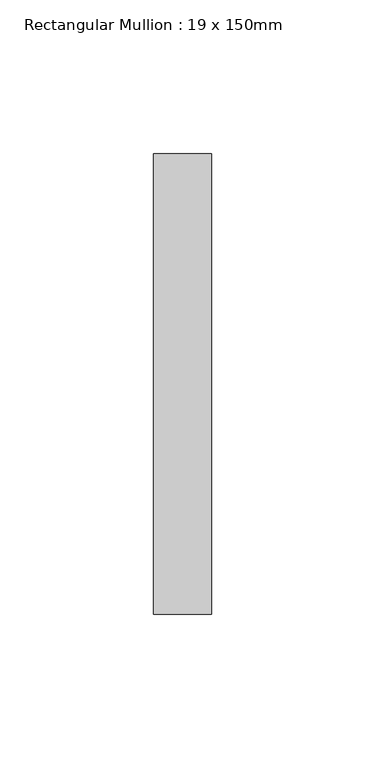
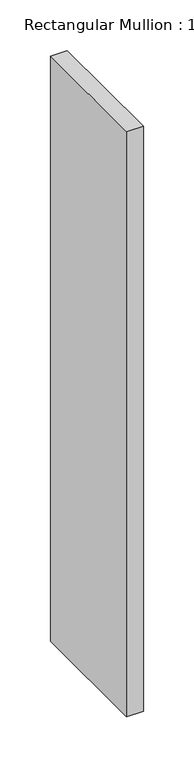
"""IFC4 building model written with IfcOpenShell, lengths in millimetres: member geometry, Rectangular Mullion : 19 x 150mm."""

from ifc_helpers import new_model, si_unit, frame, origin, place, context, project, spatial, polyline, outline, extrude, source, transform, mapped, element, save


def rectangular_mullion_19_x_150mm_b363eb5c(model_context):
    return source(origin(), model_context, "Body", "SweptSolid", [
        extrude(outline(polyline([(0.0, -25.0), (0.0, -175.0), (-19.0, -175.0), (-19.0, -25.0), (0.0, -25.0)])), frame((0.0, 0.0, -704.4659249), z_axis=(0.0, 0.0, 1.0), x_axis=(1.0, 0.0, 0.0)), (0.0, 0.0, 1.0), 704.4659249),
    ])


if __name__ == "__main__":
    model = new_model("IFC4")
    model_context = context("Model", 3, world=origin())
    ifc_project = project(units=[si_unit("LENGTHUNIT", "METRE", prefix="MILLI")], contexts=[model_context])
    site = spatial("IfcSite", under=ifc_project)
    building = spatial("IfcBuilding", under=site)
    placement = place(None, origin())
    rectangular_mullion_19_x_150mm_shape = rectangular_mullion_19_x_150mm_b363eb5c(model_context)
    element("IfcMember", 1, ObjectType="Rectangular Mullion : 19 x 150mm", at=placement, inside=building, context=model_context, shape_type="MappedRepresentation", body=[
        mapped(rectangular_mullion_19_x_150mm_shape, transform((0.0, 0.0, 0.0), x_axis=(1.0, 0.0, 0.0), y_axis=(0.0, 1.0, 0.0), z_axis=(0.0, 0.0, 1.0))),
    ])
    save(model, "model.ifc")
